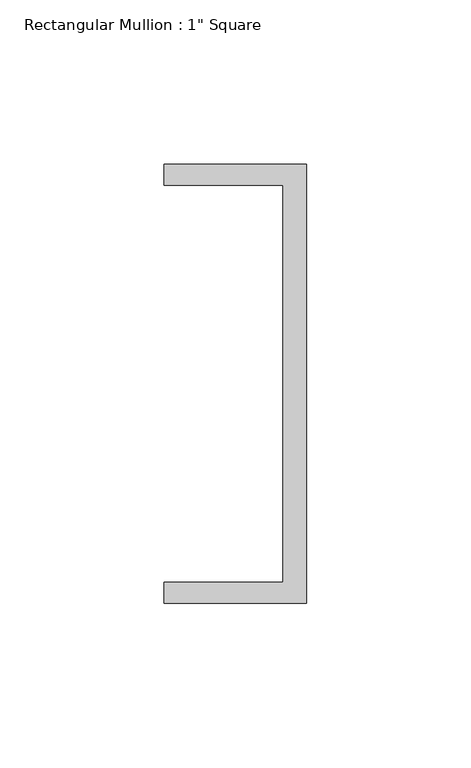
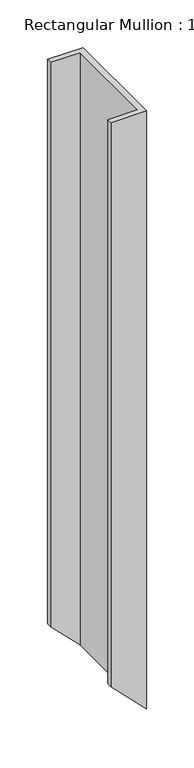
"""IFC4 building model written with IfcOpenShell, lengths in millimetres: member geometry."""

from ifc_helpers import new_model, si_unit, origin, place, context, project, spatial, faceted_brep, source, transform, mapped, element, save


def member_fbfed486(model_context):
    return source(origin(), model_context, "Body", "Brep", [
        faceted_brep([(0.0, 135.2608739, 0.0), (-43.2224547, 135.2608739, 0.0), (-43.2224547, 128.9108739, 0.0), (-7.0438577, 128.9108739, 0.0), (-7.0438577, 8.2608739, 0.0), (-43.2224547, 8.2608739, 0.0), (-43.2224547, 1.9108739, 0.0), (0.0, 1.9108739, 0.0), (0.0, 135.2608739, -766.300561), (-43.2224547, 135.2608739, -723.1889285), (-43.2224547, 128.9108739, -723.1889285), (-7.0438577, 128.9108739, -759.2747637), (-7.0438577, 8.2608739, -759.2747637), (-43.2224547, 8.2608739, -723.1889285), (-43.2224547, 1.9108739, -723.1889285), (0.0, 1.9108739, -766.300561)], [[[0, 1, 2, 3, 4, 5, 6, 7]], [[1, 0, 8, 9]], [[2, 1, 9, 10]], [[3, 2, 10, 11]], [[4, 3, 11, 12]], [[5, 4, 12, 13]], [[6, 5, 13, 14]], [[7, 6, 14, 15]], [[0, 7, 15, 8]], [[8, 15, 14, 13, 12, 11, 10, 9]]]),
    ])


if __name__ == "__main__":
    model = new_model("IFC4")
    model_context = context("Model", 3, world=origin())
    ifc_project = project(units=[si_unit("LENGTHUNIT", "METRE", prefix="MILLI")], contexts=[model_context])
    site = spatial("IfcSite", under=ifc_project)
    building = spatial("IfcBuilding", under=site)
    placement = place(None, origin())
    member_shape = member_fbfed486(model_context)
    element("IfcMember", 1, ObjectType="Rectangular Mullion : 1\" Square", at=placement, inside=building, context=model_context, shape_type="MappedRepresentation", body=[
        mapped(member_shape, transform((0.0, 0.0, 0.0), x_axis=(1.0, 0.0, 0.0), y_axis=(0.0, 1.0, 0.0), z_axis=(0.0, 0.0, 1.0))),
    ])
    save(model, "model.ifc")
